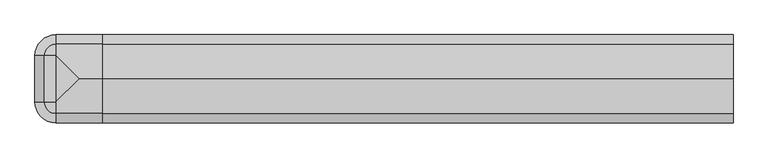
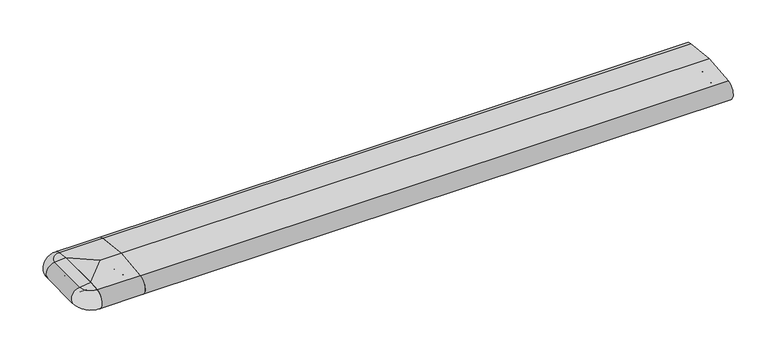
"""IFC4 building model written with IfcOpenShell, lengths in millimetres: proxy geometry."""

from ifc_helpers import new_model, si_unit, point, frame, frame_2d, origin, place, context, project, spatial, polyline, circle_curve, ellipse_curve, trimmed, segment, composite_curve, outline, extrude, source, transform, mapped, element, save
from ifc_brep_helpers import plane_surface, cylinder_surface, revolved_surface, advanced_brep


def generic_models_32e09512(model_context):
    return source(origin(), model_context, "Body", "SolidModel", [
        advanced_brep(
        [(-138.0858073, 0.0, 50.4091909), (-138.0858073, -110.0, 50.4091909), (-110.0, -110.0, 53.7462575), (-110.0, 0.0, 53.7462575), (-110.0, -138.0858073, 50.4091909), (-110.0, -136.5981483, 2.5074549), (-110.0, -135.7072001, 3.0071443), (-110.0, -133.6905989, 6.5), (-110.0, -131.9585481, 7.5), (-110.0, -115.4848276, 7.5), (-110.0, -113.7527767, 6.5), (-110.0, -110.0, 0.0), (-110.0, 0.0, 0.0), (-110.0, 3.7527767, 6.5), (-110.0, 5.4848276, 7.5), (-110.0, 21.9585481, 7.5), (-110.0, 23.6905989, 6.5), (-110.0, 25.7072001, 3.0071443), (-110.0, 26.5981483, 2.5074549), (-110.0, 28.0858073, 50.4091909), (-113.7527767, -110.0, 6.5), (-113.7527767, 0.0, 6.5), (-115.4848276, -110.0, 7.5), (-115.4848276, 0.0, 7.5), (-131.9585481, -110.0, 7.5), (-131.9585481, 0.0, 7.5), (-133.6905989, -110.0, 6.5), (-133.6905989, 0.0, 6.5), (-135.7072001, -110.0, 3.0071443), (-135.7072001, 0.0, 3.0071443), (-136.5981483, -110.0, 2.5074549), (-136.5981483, 0.0, 2.5074549)],
        [
            (0, 1),
            (1, 2),
            (2, 3),
            (3, 0),
            (2, 4),
            (4, 5, circle_curve(frame((-110.0, -136.0, 26.5), z_axis=(1.0, 0.0, 0.0), x_axis=(0.0, -1.0, 0.0)), 24.0)),
            (5, 6, circle_curve(frame((-110.0, -136.5732255, 3.5071443), z_axis=(1.0, 0.0, 0.0), x_axis=(0.0, -1.0, 0.0)), 1.0)),
            (6, 7),
            (7, 8, circle_curve(frame((-110.0, -131.9585481, 5.5), z_axis=(-1.0, 0.0, 0.0), x_axis=(0.0, -1.0, 0.0)), 2.0)),
            (8, 9),
            (9, 10, circle_curve(frame((-110.0, -115.4848276, 5.5), z_axis=(-1.0, 0.0, 0.0), x_axis=(0.0, -1.0, 0.0)), 2.0)),
            (10, 11),
            (11, 12),
            (12, 13),
            (13, 14, circle_curve(frame((-110.0, 5.4848276, 5.5), z_axis=(-1.0, 0.0, 0.0), x_axis=(0.0, 1.0, 0.0)), 2.0)),
            (14, 15),
            (15, 16, circle_curve(frame((-110.0, 21.9585481, 5.5), z_axis=(-1.0, 0.0, 0.0), x_axis=(0.0, 1.0, 0.0)), 2.0)),
            (16, 17),
            (17, 18, circle_curve(frame((-110.0, 26.5732255, 3.5071443), z_axis=(1.0, 0.0, 0.0), x_axis=(0.0, 1.0, 0.0)), 1.0)),
            (18, 19, circle_curve(frame((-110.0, 26.0, 26.5), z_axis=(1.0, 0.0, 0.0), x_axis=(0.0, 1.0, 0.0)), 24.0)),
            (19, 3),
            (11, 20),
            (20, 21),
            (21, 12),
            (20, 22, circle_curve(frame((-115.4848276, -110.0, 5.5), z_axis=(0.0, -1.0, 0.0), x_axis=(-1.0, 0.0, 0.0)), 2.0)),
            (22, 23),
            (23, 21, circle_curve(frame((-115.4848276, 0.0, 5.5), z_axis=(0.0, 1.0, 0.0), x_axis=(-1.0, 0.0, 0.0)), 2.0)),
            (22, 9, circle_curve(frame((-110.0, -110.0, 7.5), z_axis=(0.0, 0.0, 1.0), x_axis=(-1.0, 0.0, 0.0)), 5.4848276)),
            (8, 24, circle_curve(frame((-110.0, -110.0, 7.5), z_axis=(0.0, 0.0, -1.0), x_axis=(-1.0, 0.0, 0.0)), 21.9585481)),
            (24, 25),
            (25, 15, circle_curve(frame((-110.0, 0.0, 7.5), z_axis=(0.0, 0.0, -1.0), x_axis=(-1.0, 0.0, 0.0)), 21.9585481)),
            (14, 23, circle_curve(frame((-110.0, 0.0, 7.5), z_axis=(0.0, 0.0, 1.0), x_axis=(-1.0, 0.0, 0.0)), 5.4848276)),
            (24, 26, circle_curve(frame((-131.9585481, -110.0, 5.5), z_axis=(0.0, -1.0, 0.0), x_axis=(-1.0, 0.0, 0.0)), 2.0)),
            (26, 27),
            (27, 25, circle_curve(frame((-131.9585481, 0.0, 5.5), z_axis=(0.0, 1.0, 0.0), x_axis=(-1.0, 0.0, 0.0)), 2.0)),
            (26, 28),
            (28, 29),
            (29, 27),
            (28, 30, circle_curve(frame((-136.5732255, -110.0, 3.5071443), z_axis=(0.0, 1.0, 0.0), x_axis=(-1.0, 0.0, 0.0)), 1.0)),
            (30, 31),
            (31, 29, circle_curve(frame((-136.5732255, 0.0, 3.5071443), z_axis=(0.0, -1.0, 0.0), x_axis=(-1.0, 0.0, 0.0)), 1.0)),
            (0, 31, circle_curve(frame((-136.0, 0.0, 26.5), z_axis=(0.0, -1.0, 0.0), x_axis=(-1.0, 0.0, 0.0)), 24.0)),
            (30, 1, circle_curve(frame((-136.0, -110.0, 26.5), z_axis=(0.0, 1.0, 0.0), x_axis=(-1.0, 0.0, 0.0)), 24.0)),
            (18, 31, circle_curve(frame((-110.0, 0.0, 2.5074549), z_axis=(0.0, 0.0, 1.0), x_axis=(-1.0, 0.0, 0.0)), 26.5981483)),
            (0, 19, circle_curve(frame((-110.0, 0.0, 50.4091909), z_axis=(0.0, 0.0, -1.0), x_axis=(-1.0, 0.0, 0.0)), 28.0858073)),
            (17, 29, circle_curve(frame((-110.0, 0.0, 3.0071443), z_axis=(0.0, 0.0, 1.0), x_axis=(-1.0, 0.0, 0.0)), 25.7072001)),
            (16, 27, circle_curve(frame((-110.0, 0.0, 6.5), z_axis=(0.0, 0.0, 1.0), x_axis=(-1.0, 0.0, 0.0)), 23.6905989)),
            (13, 21, circle_curve(frame((-110.0, 0.0, 6.5), z_axis=(0.0, 0.0, 1.0), x_axis=(-1.0, 0.0, 0.0)), 3.7527767)),
            (4, 1, circle_curve(frame((-110.0, -110.0, 50.4091909), z_axis=(0.0, 0.0, -1.0), x_axis=(-1.0, 0.0, 0.0)), 28.0858073)),
            (30, 5, circle_curve(frame((-110.0, -110.0, 2.5074549), z_axis=(0.0, 0.0, 1.0), x_axis=(-1.0, 0.0, 0.0)), 26.5981483)),
            (28, 6, circle_curve(frame((-110.0, -110.0, 3.0071443), z_axis=(0.0, 0.0, 1.0), x_axis=(-1.0, 0.0, 0.0)), 25.7072001)),
            (26, 7, circle_curve(frame((-110.0, -110.0, 6.5), z_axis=(0.0, 0.0, 1.0), x_axis=(-1.0, 0.0, 0.0)), 23.6905989)),
            (20, 10, circle_curve(frame((-110.0, -110.0, 6.5), z_axis=(0.0, 0.0, 1.0), x_axis=(-1.0, 0.0, 0.0)), 3.7527767)),
        ],
        [
            plane_surface(frame((-138.0858073, 0.0, 50.4091909), z_axis=(-0.11798691299107415, 0.0, 0.9930151501174778), x_axis=(0.0, -1.0, 0.0))),
            plane_surface(frame((-110.0, 0.0, 53.7462575), z_axis=(1.0, 0.0, 0.0), x_axis=(0.0, -1.0, 0.0))),
            plane_surface(frame((-110.0, 0.0, 0.0), z_axis=(-0.8660254037844363, 0.0, -0.5000000000000042), x_axis=(0.0, -1.0, 0.0))),
            revolved_surface(polyline([(-117.4848276, -110.0, 5.5), (-117.4848276, 0.0, 5.5)]), (-115.4848276, 0.0, 5.5), (0.0, -1.0, 0.0)),
            plane_surface(frame((-115.4848276, 0.0, 7.5), z_axis=(0.0, 0.0, -1.0), x_axis=(0.0, -1.0, 0.0))),
            revolved_surface(polyline([(-133.9585481, -110.0, 5.5), (-133.9585481, 0.0, 5.5)]), (-131.9585481, 0.0, 5.5), (0.0, -1.0, 0.0)),
            plane_surface(frame((-133.6905989, 0.0, 6.5), z_axis=(0.8660254037844392, 0.0, -0.4999999999999992), x_axis=(0.0, -1.0, 0.0))),
            cylinder_surface(frame((-136.5732255, 0.0, 3.5071443), z_axis=(0.0, 1.0, 0.0), x_axis=(-1.0, 0.0, 0.0)), 1.0),
            cylinder_surface(frame((-136.0, 0.0, 26.5), z_axis=(0.0, 1.0, 0.0), x_axis=(-1.0, 0.0, 0.0)), 24.0),
            revolved_surface(trimmed(ellipse_curve(frame((-136.0, 0.0, 26.5), z_axis=(0.0, 1.0, 0.0), x_axis=(-1.0, 0.0, 0.0)), 24.0, 24.0), [point((-136.5981483, 0.0, 2.5074549))], [point((-138.0858073, 0.0, 50.4091909))], True, "CARTESIAN"), (-110.0, 0.0, 0.0), (0.0, 0.0, 1.0)),
            revolved_surface(trimmed(ellipse_curve(frame((-136.5732255, 0.0, 3.5071443), z_axis=(0.0, 1.0, 0.0), x_axis=(-1.0, 0.0, 0.0)), 1.0, 1.0), [point((-135.7072001, 0.0, 3.0071443))], [point((-136.5981483, 0.0, 2.5074549))], True, "CARTESIAN"), (-110.0, 0.0, 0.0), (0.0, 0.0, 1.0)),
            revolved_surface(polyline([(-133.6905989, 0.0, 6.5), (-135.7072001, 0.0, 3.0071443)]), (-110.0, 0.0, 0.0), (0.0, 0.0, 1.0)),
            revolved_surface(trimmed(ellipse_curve(frame((-131.9585481, 0.0, 5.5), z_axis=(0.0, -1.0, 0.0), x_axis=(-1.0, 0.0, 0.0)), 2.0, 2.0), [point((-131.9585481, 0.0, 7.5))], [point((-133.6905989, 0.0, 6.5))], True, "CARTESIAN"), (-110.0, 0.0, 0.0), (0.0, 0.0, 1.0)),
            revolved_surface(trimmed(ellipse_curve(frame((-115.4848276, 0.0, 5.5), z_axis=(0.0, -1.0, 0.0), x_axis=(-1.0, 0.0, 0.0)), 2.0, 2.0), [point((-113.7527767, 0.0, 6.5))], [point((-115.4848276, 0.0, 7.5))], True, "CARTESIAN"), (-110.0, 0.0, 0.0), (0.0, 0.0, 1.0)),
            revolved_surface(polyline([(-110.0, 0.0, 0.0), (-113.7527767, 0.0, 6.5)]), (-110.0, 0.0, 0.0), (0.0, 0.0, 1.0)),
            revolved_surface(polyline([(-138.0858073, 0.0, 50.4091909), (-110.0, 0.0, 53.7462575)]), (-110.0, 0.0, 0.0), (0.0, 0.0, 1.0)),
            revolved_surface(trimmed(ellipse_curve(frame((-136.0, -110.0, 26.5), z_axis=(0.0, -1.0, 0.0), x_axis=(-1.0, 0.0, 0.0)), 24.0, 24.0), [point((-138.0858073, -110.0, 50.4091909))], [point((-136.5981483, -110.0, 2.5074549))], True, "CARTESIAN"), (-110.0, -110.0, 0.0), (0.0, 0.0, -1.0)),
            revolved_surface(trimmed(ellipse_curve(frame((-136.5732255, -110.0, 3.5071443), z_axis=(0.0, -1.0, 0.0), x_axis=(-1.0, 0.0, 0.0)), 1.0, 1.0), [point((-136.5981483, -110.0, 2.5074549))], [point((-135.7072001, -110.0, 3.0071443))], True, "CARTESIAN"), (-110.0, -110.0, 0.0), (0.0, 0.0, -1.0)),
            revolved_surface(polyline([(-135.7072001, -110.0, 3.0071443), (-133.6905989, -110.0, 6.5)]), (-110.0, -110.0, 0.0), (0.0, 0.0, -1.0)),
            revolved_surface(trimmed(ellipse_curve(frame((-131.9585481, -110.0, 5.5), z_axis=(0.0, 1.0, 0.0), x_axis=(-1.0, 0.0, 0.0)), 2.0, 2.0), [point((-133.6905989, -110.0, 6.5))], [point((-131.9585481, -110.0, 7.5))], True, "CARTESIAN"), (-110.0, -110.0, 0.0), (0.0, 0.0, -1.0)),
            revolved_surface(trimmed(ellipse_curve(frame((-115.4848276, -110.0, 5.5), z_axis=(0.0, 1.0, 0.0), x_axis=(-1.0, 0.0, 0.0)), 2.0, 2.0), [point((-115.4848276, -110.0, 7.5))], [point((-113.7527767, -110.0, 6.5))], True, "CARTESIAN"), (-110.0, -110.0, 0.0), (0.0, 0.0, -1.0)),
            revolved_surface(polyline([(-113.7527767, -110.0, 6.5), (-110.0, -110.0, 0.0)]), (-110.0, -110.0, 0.0), (0.0, 0.0, -1.0)),
            revolved_surface(polyline([(-110.0, -110.0, 53.7462575), (-138.0858073, -110.0, 50.4091909)]), (-110.0, -110.0, 0.0), (0.0, 0.0, -1.0)),
        ],
        [
            (0, [[1, 2, 3, 4]]),
            (1, [[-3, 5, 6, 7, 8, 9, 10, 11, 12, 13, 14, 15, 16, 17, 18, 19, 20, 21]]),
            (2, [[-13, 22, 23, 24]]),
            (3, [[-23, 25, 26, 27]]),
            (4, [[-26, 28, -10, 29, 30, 31, -16, 32]]),
            (5, [[-30, 33, 34, 35]]),
            (6, [[-34, 36, 37, 38]]),
            (7, [[-37, 39, 40, 41]]),
            (8, [[-1, 42, -40, 43]]),
            (9, [[-20, 44, -42, 45]]),
            (10, [[-19, 46, -41, -44]]),
            (11, [[-18, 47, -38, -46]]),
            (12, [[-17, -31, -35, -47]]),
            (13, [[-15, 48, -27, -32]]),
            (14, [[-14, -24, -48]]),
            (15, [[-21, -45, -4]]),
            (16, [[-6, 49, -43, 50]]),
            (17, [[-7, -50, -39, 51]]),
            (18, [[-8, -51, -36, 52]]),
            (19, [[-9, -52, -33, -29]]),
            (20, [[-11, -28, -25, 53]]),
            (21, [[-12, -53, -22]]),
            (22, [[-5, -2, -49]]),
        ],
    ),
        advanced_brep(
        [(-110.0, -136.5981483, 2.5074549), (-110.0, -138.0858073, 50.4091909), (-110.0, -110.3340136, 53.7462575), (-110.0, 0.3340136, 53.7462575), (-110.0, 28.0858073, 50.4091909), (-110.0, 26.5981483, 2.5074549), (-110.0, 25.7072001, 3.0071443), (-110.0, 23.6905989, 6.5), (-110.0, 21.9585481, 7.5), (-110.0, 5.4848276, 7.5), (-110.0, 3.7527767, 6.5), (-110.0, 0.2886751, 0.5), (-110.0, -0.5773503, 0.0), (-110.0, -27.0, 0.0), (-110.0, -28.0, 1.0), (-110.0, -28.0, 7.0), (-110.0, -30.0, 9.0), (-110.0, -43.0, 9.0), (-110.0, -45.0, 7.0), (-110.0, -45.0, 1.0), (-110.0, -46.0, 0.0), (-110.0, -64.0, 0.0), (-110.0, -65.0, 1.0), (-110.0, -65.0, 7.0), (-110.0, -67.0, 9.0), (-110.0, -80.0, 9.0), (-110.0, -82.0, 7.0), (-110.0, -82.0, 1.0), (-110.0, -83.0, 0.0), (-110.0, -109.4226497, 0.0), (-110.0, -110.2886751, 0.5), (-110.0, -113.7527767, 6.5), (-110.0, -115.4848276, 7.5), (-110.0, -131.9585481, 7.5), (-110.0, -133.6905989, 6.5), (-110.0, -135.7072001, 3.0071443), (-110.0, -84.3659949, 17.8353497), (-110.0, -84.3659949, 29.8353497), (-110.0, -87.6340051, 29.8353497), (-110.0, -87.6340051, 17.8353497), (-110.0, -62.9623451, 23.8353497), (-110.0, -47.0376549, 23.8353497), (-110.0, -25.6340051, 17.8353497), (-110.0, -22.3659949, 17.8353497), (-110.0, -22.3659949, 29.8353497), (-110.0, -25.6340051, 29.8353497), (0.0, -136.5981483, 2.5074549), (0.0, -135.7072001, 3.0071443), (0.0, -133.6905989, 6.5), (0.0, -131.9585481, 7.5), (0.0, -115.4848276, 7.5), (0.0, -113.7527767, 6.5), (0.0, -110.2886751, 0.5), (0.0, -109.4226497, 0.0), (0.0, -83.0, 0.0), (0.0, -82.0, 1.0), (0.0, -82.0, 7.0), (0.0, -80.0, 9.0), (0.0, -67.0, 9.0), (0.0, -65.0, 7.0), (0.0, -65.0, 1.0), (0.0, -64.0, 0.0), (0.0, -46.0, 0.0), (0.0, -45.0, 1.0), (0.0, -45.0, 7.0), (0.0, -43.0, 9.0), (0.0, -30.0, 9.0), (0.0, -28.0, 7.0), (0.0, -28.0, 1.0), (0.0, -27.0, 0.0), (0.0, -0.5773503, 0.0), (0.0, 0.2886751, 0.5), (0.0, 3.7527767, 6.5), (0.0, 5.4848276, 7.5), (0.0, 21.9585481, 7.5), (0.0, 23.6905989, 6.5), (0.0, 25.7072001, 3.0071443), (0.0, 26.5981483, 2.5074549), (0.0, 28.0858073, 50.4091909), (0.0, -55.0, 60.4), (0.0, -138.0858073, 50.4091909), (0.0, -84.3659949, 17.8353497), (0.0, -87.6340051, 17.8353497), (0.0, -87.6340051, 29.8353497), (0.0, -84.3659949, 29.8353497), (0.0, -62.9623451, 23.8353497), (0.0, -47.0376549, 23.8353497), (0.0, -25.6340051, 17.8353497), (0.0, -25.6340051, 29.8353497), (0.0, -22.3659949, 29.8353497), (0.0, -22.3659949, 17.8353497), (-54.0, -55.0, 60.4)],
        [
            (0, 1, circle_curve(frame((-110.0, -136.0, 26.5), z_axis=(-1.0, 0.0, 0.0), x_axis=(0.0, -0.08690863944627836, 0.9962162859487877)), 24.0)),
            (1, 2),
            (2, 3),
            (3, 4),
            (4, 5, circle_curve(frame((-110.0, 26.0, 26.5), z_axis=(-1.0, 0.0, 0.0), x_axis=(0.0, 0.08690863944627836, 0.9962162859487877)), 24.0)),
            (5, 6, circle_curve(frame((-110.0, 26.5732255, 3.5071443), z_axis=(-1.0, 0.0, 0.0), x_axis=(0.0, 0.024922847684081085, -0.999689377588517)), 1.0)),
            (6, 7),
            (7, 8, circle_curve(frame((-110.0, 21.9585481, 5.5), z_axis=(1.0, 0.0, 0.0), x_axis=(0.0, 0.8660254037844379, 0.5000000000000012)), 2.0)),
            (8, 9),
            (9, 10, circle_curve(frame((-110.0, 5.4848276, 5.5), z_axis=(1.0, 0.0, 0.0), x_axis=(0.0, 0.0, 1.0)), 2.0)),
            (10, 11),
            (11, 12, circle_curve(frame((-110.0, -0.5773503, 1.0), z_axis=(-1.0, 0.0, 0.0), x_axis=(0.0, 0.8660254037844339, -0.5000000000000082)), 1.0)),
            (12, 13),
            (13, 14, circle_curve(frame((-110.0, -27.0, 1.0), z_axis=(-1.0, 0.0, 0.0), x_axis=(0.0, 0.0, -1.0)), 1.0)),
            (14, 15),
            (15, 16, circle_curve(frame((-110.0, -30.0, 7.0), z_axis=(1.0, 0.0, 0.0), x_axis=(0.0, 1.0, 0.0)), 2.0)),
            (16, 17),
            (17, 18, circle_curve(frame((-110.0, -43.0, 7.0), z_axis=(1.0, 0.0, 0.0), x_axis=(0.0, 0.0, 1.0)), 2.0)),
            (18, 19),
            (19, 20, circle_curve(frame((-110.0, -46.0, 1.0), z_axis=(-1.0, 0.0, 0.0), x_axis=(0.0, 1.0, 0.0)), 1.0)),
            (20, 21),
            (21, 22, circle_curve(frame((-110.0, -64.0, 1.0), z_axis=(-1.0, 0.0, 0.0), x_axis=(0.0, -1.0, 0.0)), 1.0)),
            (22, 23),
            (23, 24, circle_curve(frame((-110.0, -67.0, 7.0), z_axis=(1.0, 0.0, 0.0), x_axis=(0.0, 0.0, 1.0)), 2.0)),
            (24, 25),
            (25, 26, circle_curve(frame((-110.0, -80.0, 7.0), z_axis=(1.0, 0.0, 0.0), x_axis=(0.0, -1.0, 0.0)), 2.0)),
            (26, 27),
            (27, 28, circle_curve(frame((-110.0, -83.0, 1.0), z_axis=(-1.0, 0.0, 0.0), x_axis=(0.0, 0.0, -1.0)), 1.0)),
            (28, 29),
            (29, 30, circle_curve(frame((-110.0, -109.4226497, 1.0), z_axis=(-1.0, 0.0, 0.0), x_axis=(0.0, -0.8660254037844339, -0.5000000000000082)), 1.0)),
            (30, 31),
            (31, 32, circle_curve(frame((-110.0, -115.4848276, 5.5), z_axis=(1.0, 0.0, 0.0), x_axis=(0.0, 0.0, 1.0)), 2.0)),
            (32, 33),
            (33, 34, circle_curve(frame((-110.0, -131.9585481, 5.5), z_axis=(1.0, 0.0, 0.0), x_axis=(0.0, -0.8660254037844379, 0.5000000000000012)), 2.0)),
            (34, 35),
            (35, 0, circle_curve(frame((-110.0, -136.5732255, 3.5071443), z_axis=(-1.0, 0.0, 0.0), x_axis=(0.0, -0.024922847684081085, -0.999689377588517)), 1.0)),
            (36, 37, circle_curve(frame((-110.0, -83.9962051, 23.8353497), z_axis=(1.0, 0.0, 0.0), x_axis=(0.0, -0.061514911664729485, 0.9981061645150182)), 6.0113846)),
            (37, 38),
            (38, 39, circle_curve(frame((-110.0, -88.0037949, 23.8353497), z_axis=(1.0, 0.0, 0.0), x_axis=(0.0, 0.061514911664663253, -0.9981061645150223)), 6.0113846)),
            (39, 36),
            (40, 41, circle_curve(frame((-110.0, -55.0, 23.8353497), z_axis=(1.0, 0.0, 0.0), x_axis=(0.0, 1.0, 0.0)), 7.9623451)),
            (41, 40, circle_curve(frame((-110.0, -55.0, 23.8353497), z_axis=(1.0, 0.0, 0.0), x_axis=(0.0, 1.0, 0.0)), 7.9623451)),
            (42, 43),
            (43, 44, circle_curve(frame((-110.0, -21.9962051, 23.8353497), z_axis=(1.0, 0.0, 0.0), x_axis=(0.0, -0.061514911664663253, -0.9981061645150223)), 6.0113846)),
            (44, 45),
            (45, 42, circle_curve(frame((-110.0, -26.0037949, 23.8353497), z_axis=(1.0, 0.0, 0.0), x_axis=(0.0, 0.061514911664729485, 0.9981061645150182)), 6.0113846)),
            (46, 47, circle_curve(frame((0.0, -136.5732255, 3.5071443), z_axis=(1.0, 0.0, 0.0), x_axis=(0.0, -0.024922847684081085, -0.999689377588517)), 1.0)),
            (47, 48),
            (48, 49, circle_curve(frame((0.0, -131.9585481, 5.5), z_axis=(-1.0, 0.0, 0.0), x_axis=(0.0, -0.8660254037844379, 0.5000000000000012)), 2.0)),
            (49, 50),
            (50, 51, circle_curve(frame((0.0, -115.4848276, 5.5), z_axis=(-1.0, 0.0, 0.0), x_axis=(0.0, 0.0, 1.0)), 2.0)),
            (51, 52),
            (52, 53, circle_curve(frame((0.0, -109.4226497, 1.0), z_axis=(1.0, 0.0, 0.0), x_axis=(0.0, -0.8660254037844339, -0.5000000000000082)), 1.0)),
            (53, 54),
            (54, 55, circle_curve(frame((0.0, -83.0, 1.0), z_axis=(1.0, 0.0, 0.0), x_axis=(0.0, 0.0, -1.0)), 1.0)),
            (55, 56),
            (56, 57, circle_curve(frame((0.0, -80.0, 7.0), z_axis=(-1.0, 0.0, 0.0), x_axis=(0.0, -1.0, 0.0)), 2.0)),
            (57, 58),
            (58, 59, circle_curve(frame((0.0, -67.0, 7.0), z_axis=(-1.0, 0.0, 0.0), x_axis=(0.0, 0.0, 1.0)), 2.0)),
            (59, 60),
            (60, 61, circle_curve(frame((0.0, -64.0, 1.0), z_axis=(1.0, 0.0, 0.0), x_axis=(0.0, -1.0, 0.0)), 1.0)),
            (61, 62),
            (62, 63, circle_curve(frame((0.0, -46.0, 1.0), z_axis=(1.0, 0.0, 0.0), x_axis=(0.0, 1.0, 0.0)), 1.0)),
            (63, 64),
            (64, 65, circle_curve(frame((0.0, -43.0, 7.0), z_axis=(-1.0, 0.0, 0.0), x_axis=(0.0, 0.0, 1.0)), 2.0)),
            (65, 66),
            (66, 67, circle_curve(frame((0.0, -30.0, 7.0), z_axis=(-1.0, 0.0, 0.0), x_axis=(0.0, 1.0, 0.0)), 2.0)),
            (67, 68),
            (68, 69, circle_curve(frame((0.0, -27.0, 1.0), z_axis=(1.0, 0.0, 0.0), x_axis=(0.0, 0.0, -1.0)), 1.0)),
            (69, 70),
            (70, 71, circle_curve(frame((0.0, -0.5773503, 1.0), z_axis=(1.0, 0.0, 0.0), x_axis=(0.0, 0.8660254037844339, -0.5000000000000082)), 1.0)),
            (71, 72),
            (72, 73, circle_curve(frame((0.0, 5.4848276, 5.5), z_axis=(-1.0, 0.0, 0.0), x_axis=(0.0, 0.0, 1.0)), 2.0)),
            (73, 74),
            (74, 75, circle_curve(frame((0.0, 21.9585481, 5.5), z_axis=(-1.0, 0.0, 0.0), x_axis=(0.0, 0.8660254037844379, 0.5000000000000012)), 2.0)),
            (75, 76),
            (76, 77, circle_curve(frame((0.0, 26.5732255, 3.5071443), z_axis=(1.0, 0.0, 0.0), x_axis=(0.0, 0.024922847684081085, -0.999689377588517)), 1.0)),
            (77, 78, circle_curve(frame((0.0, 26.0, 26.5), z_axis=(1.0, 0.0, 0.0), x_axis=(0.0, 0.08690863944627836, 0.9962162859487877)), 24.0)),
            (78, 79),
            (79, 80),
            (80, 46, circle_curve(frame((0.0, -136.0, 26.5), z_axis=(1.0, 0.0, 0.0), x_axis=(0.0, -0.08690863944627836, 0.9962162859487877)), 24.0)),
            (81, 82),
            (82, 83, circle_curve(frame((0.0, -88.0037949, 23.8353497), z_axis=(-1.0, 0.0, 0.0), x_axis=(0.0, 0.061514911664663253, -0.9981061645150223)), 6.0113846)),
            (83, 84),
            (84, 81, circle_curve(frame((0.0, -83.9962051, 23.8353497), z_axis=(-1.0, 0.0, 0.0), x_axis=(0.0, -0.061514911664729485, 0.9981061645150182)), 6.0113846)),
            (85, 86, circle_curve(frame((0.0, -55.0, 23.8353497), z_axis=(-1.0, 0.0, 0.0), x_axis=(0.0, 1.0, 0.0)), 7.9623451)),
            (86, 85, circle_curve(frame((0.0, -55.0, 23.8353497), z_axis=(-1.0, 0.0, 0.0), x_axis=(0.0, 1.0, 0.0)), 7.9623451)),
            (87, 88, circle_curve(frame((0.0, -26.0037949, 23.8353497), z_axis=(-1.0, 0.0, 0.0), x_axis=(0.0, 0.061514911664729485, 0.9981061645150182)), 6.0113846)),
            (88, 89),
            (89, 90, circle_curve(frame((0.0, -21.9962051, 23.8353497), z_axis=(-1.0, 0.0, 0.0), x_axis=(0.0, -0.061514911664663253, -0.9981061645150223)), 6.0113846)),
            (90, 87),
            (20, 62),
            (61, 21),
            (60, 22),
            (59, 23),
            (58, 24),
            (57, 25),
            (56, 26),
            (55, 27),
            (54, 28),
            (53, 29),
            (52, 30),
            (51, 31),
            (50, 32),
            (49, 33),
            (48, 34),
            (47, 35),
            (46, 0),
            (80, 1),
            (79, 91),
            (91, 2),
            (36, 81),
            (84, 37),
            (83, 38),
            (82, 39),
            (40, 85),
            (86, 41),
            (91, 3),
            (78, 4),
            (77, 5),
            (76, 6),
            (75, 7),
            (74, 8),
            (73, 9),
            (72, 10),
            (71, 11),
            (70, 12),
            (69, 13),
            (68, 14),
            (67, 15),
            (66, 16),
            (65, 17),
            (64, 18),
            (63, 19),
            (42, 87),
            (90, 43),
            (89, 44),
            (88, 45),
        ],
        [
            plane_surface(frame((-110.0, 0.0, 0.0), z_axis=(-1.0, 0.0, 0.0), x_axis=(0.0, 0.0, 1.0))),
            plane_surface(frame((0.0, 0.0, 0.0), z_axis=(1.0, 0.0, 0.0), x_axis=(0.0, 0.0, 1.0))),
            plane_surface(frame((-110.0, -55.0, 0.0), z_axis=(0.0, 0.0, -1.0), x_axis=(1.0, 0.0, 0.0))),
            cylinder_surface(frame((-110.0, -64.0, 1.0), z_axis=(-1.0, 0.0, 0.0), x_axis=(0.0, -1.0, 0.0)), 1.0),
            plane_surface(frame((-110.0, -65.0, 1.0), z_axis=(0.0, -1.0, 0.0), x_axis=(1.0, 0.0, 0.0))),
            revolved_surface(polyline([(0.0, -67.0, 9.0), (-110.0, -67.0, 9.0)]), (-110.0, -67.0, 7.0), (1.0, 0.0, 0.0)),
            plane_surface(frame((-110.0, -67.0, 9.0), z_axis=(0.0, 0.0, -1.0), x_axis=(1.0, 0.0, 0.0))),
            revolved_surface(polyline([(0.0, -82.0, 7.0), (-110.0, -82.0, 7.0)]), (-110.0, -80.0, 7.0), (1.0, 0.0, 0.0)),
            plane_surface(frame((-110.0, -82.0, 7.0), z_axis=(0.0, 1.0, 0.0), x_axis=(1.0, 0.0, 0.0))),
            cylinder_surface(frame((-110.0, -83.0, 1.0), z_axis=(-1.0, 0.0, 0.0), x_axis=(0.0, 0.0, -1.0)), 1.0),
            plane_surface(frame((-110.0, -83.0, 0.0), z_axis=(0.0, 0.0, -1.0), x_axis=(1.0, 0.0, 0.0))),
            cylinder_surface(frame((-110.0, -109.4226497, 1.0), z_axis=(-1.0, 0.0, 0.0), x_axis=(0.0, -0.8660254037844339, -0.5000000000000082)), 1.0),
            plane_surface(frame((-110.0, -110.2886751, 0.5), z_axis=(0.0, -0.8660254037844349, -0.5000000000000064), x_axis=(1.0, 0.0, 0.0))),
            revolved_surface(polyline([(0.0, -115.4848276, 7.5), (-110.0, -115.4848276, 7.5)]), (-110.0, -115.4848276, 5.5), (1.0, 0.0, 0.0)),
            plane_surface(frame((-110.0, -115.4848276, 7.5), z_axis=(0.0, 0.0, -1.0), x_axis=(1.0, 0.0, 0.0))),
            revolved_surface(polyline([(0.0, -133.69059890756887, 6.500000000000003), (-110.0, -133.69059890756887, 6.500000000000003)]), (-110.0, -131.9585481, 5.5), (1.0, 0.0, 0.0)),
            plane_surface(frame((-110.0, -133.6905989, 6.5), z_axis=(0.0, 0.8660254037844368, -0.5000000000000032), x_axis=(1.0, 0.0, 0.0))),
            cylinder_surface(frame((-110.0, -136.5732255, 3.5071443), z_axis=(-1.0000000000000002, 0.0, 0.0), x_axis=(0.0, -0.024922847684081085, -0.999689377588517)), 1.0),
            cylinder_surface(frame((-110.0, -136.0, 26.5), z_axis=(-1.0, 0.0, 0.0), x_axis=(0.0, -0.08690863944627836, 0.9962162859487877)), 24.0),
            plane_surface(frame((-110.0, -138.0858073, 50.4091909), z_axis=(0.0, -0.11938685218914781, 0.9928478128718251), x_axis=(1.0, 0.0, 0.0))),
            revolved_surface(polyline([(0.0, -84.36599489265171, 29.835349726530644), (-110.0, -84.36599489265171, 29.835349726530644)]), (-110.0, -83.9962051, 23.8353497), (1.0, 0.0, 0.0)),
            plane_surface(frame((-110.0, -84.3659949, 29.8353497), z_axis=(0.0, 0.0, -1.0), x_axis=(1.0, 0.0, 0.0))),
            revolved_surface(polyline([(5.684341886080802e-14, -87.63400510734868, 17.835349673469327), (-110.0, -87.63400510734868, 17.835349673469327)]), (-110.0, -88.0037949, 23.8353497), (1.0000000000000002, 0.0, 0.0)),
            plane_surface(frame((-110.0, -87.6340051, 17.8353497), z_axis=(0.0, 0.0, 1.0), x_axis=(1.0, 0.0, 0.0))),
            revolved_surface(polyline([(0.0, -47.0376549, 23.8353497), (-110.0, -47.0376549, 23.8353497)]), (-110.0, -55.0, 23.8353497), (1.0, 0.0, 0.0)),
            plane_surface(frame((-174.9291446, -250.0, 46.0315823), z_axis=(-0.11798691299107414, 0.0, 0.9930151501174778), x_axis=(0.0, 1.0, 0.0))),
            plane_surface(frame((-110.0, -55.0, 60.4), z_axis=(0.0, 0.11938685218914852, 0.992847812871825), x_axis=(1.0, 0.0, 0.0))),
            cylinder_surface(frame((-110.0, 26.0, 26.5), z_axis=(-1.0, 0.0, 0.0), x_axis=(0.0, 0.08690863944627836, 0.9962162859487877)), 24.0),
            cylinder_surface(frame((-110.0, 26.5732255, 3.5071443), z_axis=(-1.0000000000000002, 0.0, 0.0), x_axis=(0.0, 0.024922847684081085, -0.999689377588517)), 1.0),
            plane_surface(frame((-110.0, 25.7072001, 3.0071443), z_axis=(0.0, -0.8660254037844368, -0.5000000000000032), x_axis=(1.0, 0.0, 0.0))),
            revolved_surface(polyline([(0.0, 23.690598907568877, 6.500000000000003), (-110.0, 23.690598907568877, 6.500000000000003)]), (-110.0, 21.9585481, 5.5), (1.0, 0.0, 0.0)),
            plane_surface(frame((-110.0, 21.9585481, 7.5), z_axis=(0.0, 0.0, -1.0), x_axis=(1.0, 0.0, 0.0))),
            revolved_surface(polyline([(0.0, 5.4848276, 7.5), (-110.0, 5.4848276, 7.5)]), (-110.0, 5.4848276, 5.5), (1.0, 0.0, 0.0)),
            plane_surface(frame((-110.0, 3.7527767, 6.5), z_axis=(0.0, 0.8660254037844349, -0.5000000000000064), x_axis=(1.0, 0.0, 0.0))),
            cylinder_surface(frame((-110.0, -0.5773503, 1.0), z_axis=(-1.0, 0.0, 0.0), x_axis=(0.0, 0.8660254037844339, -0.5000000000000082)), 1.0),
            plane_surface(frame((-110.0, -0.5773503, 0.0), z_axis=(0.0, 0.0, -1.0), x_axis=(1.0, 0.0, 0.0))),
            cylinder_surface(frame((-110.0, -27.0, 1.0), z_axis=(-1.0, 0.0, 0.0), x_axis=(0.0, 0.0, -1.0)), 1.0),
            plane_surface(frame((-110.0, -28.0, 1.0), z_axis=(0.0, -1.0, 0.0), x_axis=(1.0, 0.0, 0.0))),
            revolved_surface(polyline([(0.0, -28.0, 7.0), (-110.0, -28.0, 7.0)]), (-110.0, -30.0, 7.0), (1.0, 0.0, 0.0)),
            plane_surface(frame((-110.0, -30.0, 9.0), z_axis=(0.0, 0.0, -1.0), x_axis=(1.0, 0.0, 0.0))),
            revolved_surface(polyline([(0.0, -43.0, 9.0), (-110.0, -43.0, 9.0)]), (-110.0, -43.0, 7.0), (1.0, 0.0, 0.0)),
            plane_surface(frame((-110.0, -45.0, 7.0), z_axis=(0.0, 1.0, 0.0), x_axis=(1.0, 0.0, 0.0))),
            cylinder_surface(frame((-110.0, -46.0, 1.0), z_axis=(-1.0, 0.0, 0.0), x_axis=(0.0, 1.0, 0.0)), 1.0),
            plane_surface(frame((-110.0, -25.6340051, 17.8353497), z_axis=(0.0, 0.0, 1.0), x_axis=(1.0, 0.0, 0.0))),
            revolved_surface(polyline([(5.684341886080802e-14, -22.36599489265132, 17.835349673469327), (-110.0, -22.36599489265132, 17.835349673469327)]), (-110.0, -21.9962051, 23.8353497), (1.0000000000000002, 0.0, 0.0)),
            plane_surface(frame((-110.0, -22.3659949, 29.8353497), z_axis=(0.0, 0.0, -1.0), x_axis=(1.0, 0.0, 0.0))),
            revolved_surface(polyline([(0.0, -25.634005107348283, 29.835349726530644), (-110.0, -25.634005107348283, 29.835349726530644)]), (-110.0, -26.0037949, 23.8353497), (1.0, 0.0, 0.0)),
        ],
        [
            (0, [[1, 2, 3, 4, 5, 6, 7, 8, 9, 10, 11, 12, 13, 14, 15, 16, 17, 18, 19, 20, 21, 22, 23, 24, 25, 26, 27, 28, 29, 30, 31, 32, 33, 34, 35, 36], [37, 38, 39, 40], [41, 42], [43, 44, 45, 46]]),
            (1, [[47, 48, 49, 50, 51, 52, 53, 54, 55, 56, 57, 58, 59, 60, 61, 62, 63, 64, 65, 66, 67, 68, 69, 70, 71, 72, 73, 74, 75, 76, 77, 78, 79, 80, 81], [82, 83, 84, 85], [86, 87], [88, 89, 90, 91]]),
            (2, [[-21, 92, -62, 93]]),
            (3, [[-22, -93, -61, 94]]),
            (4, [[-23, -94, -60, 95]]),
            (5, [[-24, -95, -59, 96]]),
            (6, [[-25, -96, -58, 97]]),
            (7, [[-26, -97, -57, 98]]),
            (8, [[-27, -98, -56, 99]]),
            (9, [[-28, -99, -55, 100]]),
            (10, [[-29, -100, -54, 101]]),
            (11, [[-30, -101, -53, 102]]),
            (12, [[-31, -102, -52, 103]]),
            (13, [[-32, -103, -51, 104]]),
            (14, [[-33, -104, -50, 105]]),
            (15, [[-34, -105, -49, 106]]),
            (16, [[-35, -106, -48, 107]]),
            (17, [[-36, -107, -47, 108]]),
            (18, [[-1, -108, -81, 109]]),
            (19, [[-80, 110, 111, -2, -109]]),
            (20, [[-37, 112, -85, 113]]),
            (21, [[-38, -113, -84, 114]]),
            (22, [[-39, -114, -83, 115]]),
            (23, [[-40, -115, -82, -112]]),
            (24, [[-41, 116, -87, 117]]),
            (24, [[-42, -117, -86, -116]]),
            (25, [[-3, -111, 118]]),
            (26, [[-79, 119, -4, -118, -110]]),
            (27, [[-5, -119, -78, 120]]),
            (28, [[-6, -120, -77, 121]]),
            (29, [[-7, -121, -76, 122]]),
            (30, [[-8, -122, -75, 123]]),
            (31, [[-9, -123, -74, 124]]),
            (32, [[-10, -124, -73, 125]]),
            (33, [[-11, -125, -72, 126]]),
            (34, [[-12, -126, -71, 127]]),
            (35, [[-13, -127, -70, 128]]),
            (36, [[-14, -128, -69, 129]]),
            (37, [[-15, -129, -68, 130]]),
            (38, [[-16, -130, -67, 131]]),
            (39, [[-17, -131, -66, 132]]),
            (40, [[-18, -132, -65, 133]]),
            (41, [[-19, -133, -64, 134]]),
            (42, [[-20, -134, -63, -92]]),
            (43, [[-43, 135, -91, 136]]),
            (44, [[-44, -136, -90, 137]]),
            (45, [[-45, -137, -89, 138]]),
            (46, [[-46, -138, -88, -135]]),
        ],
    ),
        extrude(outline(composite_curve([segment(trimmed(circle_curve(frame_2d((-136.0, 26.5)), 24.0), [point((-136.5981483, 2.5074549))], [point((-138.0858073, 50.4091909))], False, "CARTESIAN"), True, "CONTINUOUS"), segment(polyline([(-138.0858073, 50.4091909), (-55.0, 60.4), (28.0858073, 50.4091909)]), True, "CONTINUOUS"), segment(trimmed(circle_curve(frame_2d((26.0, 26.5)), 24.0), [point((28.0858073, 50.4091909))], [point((26.5981483, 2.5074549))], False, "CARTESIAN"), True, "CONTINUOUS"), segment(trimmed(circle_curve(frame_2d((26.5732255, 3.5071443)), 1.0), [point((26.5981483, 2.5074549))], [point((25.7072001, 3.0071443))], False, "CARTESIAN"), True, "CONTINUOUS"), segment(polyline([(25.7072001, 3.0071443), (23.6905989, 6.5)]), True, "CONTINUOUS"), segment(trimmed(circle_curve(frame_2d((21.9585481, 5.5)), 2.0), [point((23.6905989, 6.5))], [point((21.9585481, 7.5))], True, "CARTESIAN"), True, "CONTINUOUS"), segment(polyline([(21.9585481, 7.5), (5.4848276, 7.5)]), True, "CONTINUOUS"), segment(trimmed(circle_curve(frame_2d((5.4848276, 5.5)), 2.0), [point((5.4848276, 7.5))], [point((3.7527767, 6.5))], True, "CARTESIAN"), True, "CONTINUOUS"), segment(polyline([(3.7527767, 6.5), (0.2886751, 0.5)]), True, "CONTINUOUS"), segment(trimmed(circle_curve(frame_2d((-0.5773503, 1.0)), 1.0), [point((0.2886751, 0.5))], [point((-0.5773503, 0.0))], False, "CARTESIAN"), True, "CONTINUOUS"), segment(polyline([(-0.5773503, 0.0), (-27.0, 0.0)]), True, "CONTINUOUS"), segment(trimmed(circle_curve(frame_2d((-27.0, 1.0)), 1.0), [point((-27.0, 0.0))], [point((-28.0, 1.0))], False, "CARTESIAN"), True, "CONTINUOUS"), segment(polyline([(-28.0, 1.0), (-28.0, 7.0)]), True, "CONTINUOUS"), segment(trimmed(circle_curve(frame_2d((-30.0, 7.0)), 2.0), [point((-28.0, 7.0))], [point((-30.0, 9.0))], True, "CARTESIAN"), True, "CONTINUOUS"), segment(polyline([(-30.0, 9.0), (-43.0, 9.0)]), True, "CONTINUOUS"), segment(trimmed(circle_curve(frame_2d((-43.0, 7.0)), 2.0), [point((-43.0, 9.0))], [point((-45.0, 7.0))], True, "CARTESIAN"), True, "CONTINUOUS"), segment(polyline([(-45.0, 7.0), (-45.0, 1.0)]), True, "CONTINUOUS"), segment(trimmed(circle_curve(frame_2d((-46.0, 1.0)), 1.0), [point((-45.0, 1.0))], [point((-46.0, 0.0))], False, "CARTESIAN"), True, "CONTINUOUS"), segment(polyline([(-46.0, 0.0), (-64.0, 0.0)]), True, "CONTINUOUS"), segment(trimmed(circle_curve(frame_2d((-64.0, 1.0)), 1.0), [point((-64.0, 0.0))], [point((-65.0, 1.0))], False, "CARTESIAN"), True, "CONTINUOUS"), segment(polyline([(-65.0, 1.0), (-65.0, 7.0)]), True, "CONTINUOUS"), segment(trimmed(circle_curve(frame_2d((-67.0, 7.0)), 2.0), [point((-65.0, 7.0))], [point((-67.0, 9.0))], True, "CARTESIAN"), True, "CONTINUOUS"), segment(polyline([(-67.0, 9.0), (-80.0, 9.0)]), True, "CONTINUOUS"), segment(trimmed(circle_curve(frame_2d((-80.0, 7.0)), 2.0), [point((-80.0, 9.0))], [point((-82.0, 7.0))], True, "CARTESIAN"), True, "CONTINUOUS"), segment(polyline([(-82.0, 7.0), (-82.0, 1.0)]), True, "CONTINUOUS"), segment(trimmed(circle_curve(frame_2d((-83.0, 1.0)), 1.0), [point((-82.0, 1.0))], [point((-83.0, 0.0))], False, "CARTESIAN"), True, "CONTINUOUS"), segment(polyline([(-83.0, 0.0), (-109.4226497, 0.0)]), True, "CONTINUOUS"), segment(trimmed(circle_curve(frame_2d((-109.4226497, 1.0)), 1.0), [point((-109.4226497, 0.0))], [point((-110.2886751, 0.5))], False, "CARTESIAN"), True, "CONTINUOUS"), segment(polyline([(-110.2886751, 0.5), (-113.7527767, 6.5)]), True, "CONTINUOUS"), segment(trimmed(circle_curve(frame_2d((-115.4848276, 5.5)), 2.0), [point((-113.7527767, 6.5))], [point((-115.4848276, 7.5))], True, "CARTESIAN"), True, "CONTINUOUS"), segment(polyline([(-115.4848276, 7.5), (-131.9585481, 7.5)]), True, "CONTINUOUS"), segment(trimmed(circle_curve(frame_2d((-131.9585481, 5.5)), 2.0), [point((-131.9585481, 7.5))], [point((-133.6905989, 6.5))], True, "CARTESIAN"), True, "CONTINUOUS"), segment(polyline([(-133.6905989, 6.5), (-135.7072001, 3.0071443)]), True, "CONTINUOUS"), segment(trimmed(circle_curve(frame_2d((-136.5732255, 3.5071443)), 1.0), [point((-135.7072001, 3.0071443))], [point((-136.5981483, 2.5074549))], False, "CARTESIAN"), True, "CONTINUOUS")], self_intersect=False), holes=[composite_curve([segment(trimmed(circle_curve(frame_2d((-55.0, 23.8353497)), 7.9623451), [point((-62.9623451, 23.8353497))], [point((-47.0376549, 23.8353497))], True, "CARTESIAN"), True, "CONTINUOUS"), segment(trimmed(circle_curve(frame_2d((-55.0, 23.8353497)), 7.9623451), [point((-47.0376549, 23.8353497))], [point((-62.9623451, 23.8353497))], True, "CARTESIAN"), True, "CONTINUOUS")], self_intersect=False), composite_curve([segment(trimmed(circle_curve(frame_2d((-83.9962051, 23.8353497)), 6.0113846), [point((-84.3659949, 17.8353497))], [point((-84.3659949, 29.8353497))], True, "CARTESIAN"), True, "CONTINUOUS"), segment(polyline([(-84.3659949, 29.8353497), (-87.6340051, 29.8353497)]), True, "CONTINUOUS"), segment(trimmed(circle_curve(frame_2d((-88.0037949, 23.8353497)), 6.0113846), [point((-87.6340051, 29.8353497))], [point((-87.6340051, 17.8353497))], True, "CARTESIAN"), True, "CONTINUOUS"), segment(polyline([(-87.6340051, 17.8353497), (-84.3659949, 17.8353497)]), True, "CONTINUOUS")], self_intersect=False), composite_curve([segment(polyline([(-25.6340051, 17.8353497), (-22.3659949, 17.8353497)]), True, "CONTINUOUS"), segment(trimmed(circle_curve(frame_2d((-21.9962051, 23.8353497)), 6.0113846), [point((-22.3659949, 17.8353497))], [point((-22.3659949, 29.8353497))], True, "CARTESIAN"), True, "CONTINUOUS"), segment(polyline([(-22.3659949, 29.8353497), (-25.6340051, 29.8353497)]), True, "CONTINUOUS"), segment(trimmed(circle_curve(frame_2d((-26.0037949, 23.8353497)), 6.0113846), [point((-25.6340051, 29.8353497))], [point((-25.6340051, 17.8353497))], True, "CARTESIAN"), True, "CONTINUOUS")], self_intersect=False)]), frame((0.0, 0.0, 0.0), z_axis=(1.0, 0.0, 0.0), x_axis=(0.0, 1.0, 0.0)), (0.0, 0.0, 1.0), 1500.0),
    ])


if __name__ == "__main__":
    model = new_model("IFC4")
    model_context = context("Model", 3, world=origin())
    ifc_project = project(units=[si_unit("LENGTHUNIT", "METRE", prefix="MILLI")], contexts=[model_context])
    site = spatial("IfcSite", under=ifc_project)
    building = spatial("IfcBuilding", under=site)
    placement = place(None, origin())
    generic_models_shape = generic_models_32e09512(model_context)
    element("IfcBuildingElementProxy", 1, Name="Generic Models", at=placement, inside=building, context=model_context, shape_type="MappedRepresentation", body=[
        mapped(generic_models_shape, transform((0.0, 0.0, 0.0), x_axis=(1.0, 0.0, 0.0), y_axis=(0.0, 1.0, 0.0), z_axis=(0.0, 0.0, 1.0))),
    ])
    save(model, "model.ifc")
